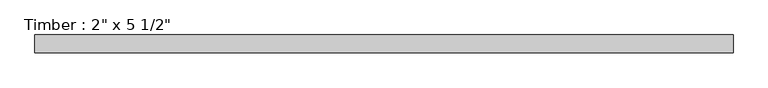
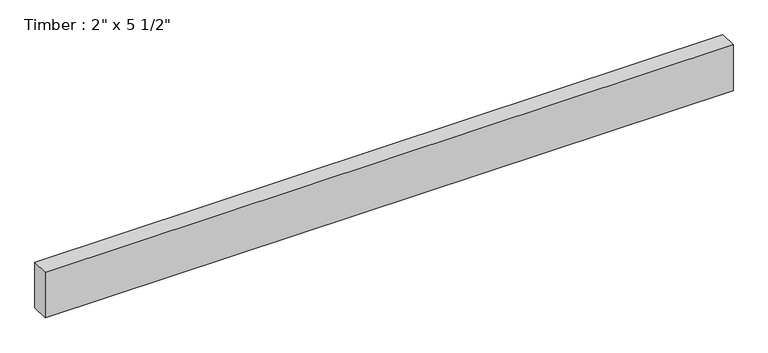
"""IFC4 building model written with IfcOpenShell, lengths in millimetres: beam geometry."""

from ifc_helpers import new_model, si_unit, frame, origin, place, context, project, spatial, polyline, outline, extrude, source, transform, mapped, element, save


def beam_3a153755(model_context):
    return source(origin(), model_context, "Body", "SweptSolid", [
        extrude(outline(polyline([(995.3917975, 25.4), (995.3917975, -25.4), (-995.3917975, -25.4), (-995.3917975, 25.4), (995.3917975, 25.4)])), frame((0.0, 0.0, -69.85), z_axis=(0.0, 0.0, 1.0), x_axis=(1.0, 0.0, 0.0)), (0.0, 0.0, 1.0), 139.7),
    ])


if __name__ == "__main__":
    model = new_model("IFC4")
    model_context = context("Model", 3, world=origin())
    ifc_project = project(units=[si_unit("LENGTHUNIT", "METRE", prefix="MILLI")], contexts=[model_context])
    site = spatial("IfcSite", under=ifc_project)
    building = spatial("IfcBuilding", under=site)
    placement = place(None, origin())
    beam_shape = beam_3a153755(model_context)
    element("IfcBeam", 1, ObjectType="Timber : 2\" x 5 1/2\"", at=placement, inside=building, context=model_context, shape_type="MappedRepresentation", body=[
        mapped(beam_shape, transform((0.0, 0.0, 0.0), x_axis=(1.0, 0.0, 0.0), y_axis=(0.0, 1.0, 0.0), z_axis=(0.0, 0.0, 1.0))),
    ])
    save(model, "model.ifc")
